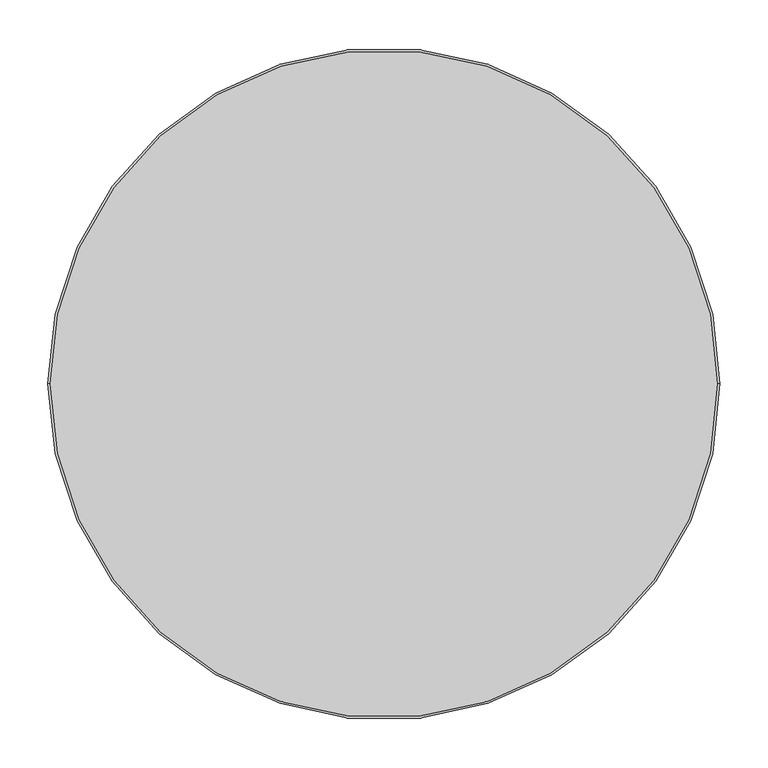
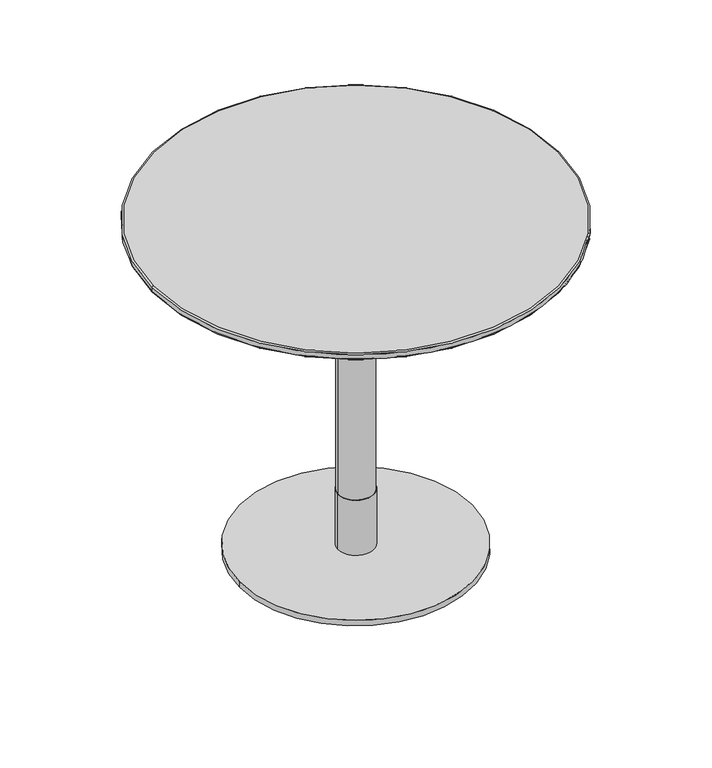
"""IFC4 building model written with IfcOpenShell, lengths in millimetres: furniture geometry."""

from ifc_helpers import new_model, si_unit, point, frame, origin, origin_with_axes, origin_2d, place, context, project, spatial, polyline, circle_curve, ellipse_curve, trimmed, segment, composite_curve, outline, extrude, source, transform, mapped, element, save
from ifc_brep_helpers import plane_surface, cylinder_surface, revolved_surface, advanced_brep


def furniture_266684e2(model_context):
    return source(origin(), model_context, "Body", "SolidModel", [
        advanced_brep(
        [(348.6840403, 0.0, 588.2400004), (350.0, 0.0, 590.1193857), (-350.0, 0.0, 590.1193857), (-348.6840403, 0.0, 588.2400004), (350.0, 0.0, 598.0), (348.0, 0.0, 600.0), (-348.0, 0.0, 600.0), (-350.0, 0.0, 598.0)],
        [
            (0, 1, circle_curve(frame((348.0, 0.0, 590.1193857), z_axis=(0.0, -1.0, 0.0), x_axis=(-1.0, 0.0, 0.0)), 2.0)),
            (1, 2, circle_curve(frame((0.0, 0.0, 590.1193857), z_axis=(0.0, 0.0, -1.0), x_axis=(-1.0, 0.0, 0.0)), 350.0)),
            (2, 3, circle_curve(frame((-348.0, 0.0, 590.1193857), z_axis=(0.0, -1.0, 0.0), x_axis=(1.0, 0.0, 0.0)), 2.0)),
            (3, 0, circle_curve(frame((0.0, 0.0, 588.2400004), z_axis=(0.0, 0.0, 1.0), x_axis=(-1.0, 0.0, 0.0)), 348.6840403)),
            (4, 5, circle_curve(frame((348.0, 0.0, 598.0), z_axis=(0.0, -1.0, 0.0), x_axis=(-1.0, 0.0, 0.0)), 2.0)),
            (5, 6, circle_curve(frame((0.0, 0.0, 600.0), z_axis=(0.0, 0.0, -1.0), x_axis=(-1.0, 0.0, 0.0)), 348.0)),
            (6, 7, circle_curve(frame((-348.0, 0.0, 598.0), z_axis=(0.0, -1.0, 0.0), x_axis=(1.0, 0.0, 0.0)), 2.0)),
            (7, 4, circle_curve(frame((0.0, 0.0, 598.0), z_axis=(0.0, 0.0, 1.0), x_axis=(-1.0, 0.0, 0.0)), 350.0)),
            (0, 3, circle_curve(frame((0.0, 0.0, 588.2400004), z_axis=(0.0, 0.0, 1.0), x_axis=(1.0, 0.0, 0.0)), 348.6840403)),
            (2, 1, circle_curve(frame((0.0, 0.0, 590.1193857), z_axis=(0.0, 0.0, -1.0), x_axis=(1.0, 0.0, 0.0)), 350.0)),
            (4, 7, circle_curve(frame((0.0, 0.0, 598.0), z_axis=(0.0, 0.0, 1.0), x_axis=(1.0, 0.0, 0.0)), 350.0)),
            (6, 5, circle_curve(frame((0.0, 0.0, 600.0), z_axis=(0.0, 0.0, -1.0), x_axis=(1.0, 0.0, 0.0)), 348.0)),
            (7, 2),
            (1, 4),
        ],
        [
            revolved_surface(trimmed(ellipse_curve(frame((-348.0, 0.0, 590.1193857), z_axis=(0.0, 1.0, 0.0), x_axis=(1.0, 0.0, 0.0)), 2.0, 2.0), [point((-348.6840403, 0.0, 588.2400004))], [point((-350.0, 0.0, 590.1193857))], True, "CARTESIAN"), (0.0, 0.0, 0.0), (0.0, 0.0, 1.0)),
            revolved_surface(trimmed(ellipse_curve(frame((-348.0, 0.0, 598.0), z_axis=(0.0, 1.0, 0.0), x_axis=(1.0, 0.0, 0.0)), 2.0, 2.0), [point((-350.0, 0.0, 598.0))], [point((-348.0, 0.0, 600.0))], True, "CARTESIAN"), (0.0, 0.0, 0.0), (0.0, 0.0, 1.0)),
            revolved_surface(trimmed(ellipse_curve(frame((348.0, 0.0, 590.1193857), z_axis=(0.0, -1.0, 0.0), x_axis=(-1.0, 0.0, 0.0)), 2.0, 2.0), [point((348.6840403, 0.0, 588.2400004))], [point((350.0, 0.0, 590.1193857))], True, "CARTESIAN"), (0.0, 0.0, 0.0), (0.0, 0.0, 1.0)),
            revolved_surface(trimmed(ellipse_curve(frame((348.0, 0.0, 598.0), z_axis=(0.0, -1.0, 0.0), x_axis=(-1.0, 0.0, 0.0)), 2.0, 2.0), [point((350.0, 0.0, 598.0))], [point((348.0, 0.0, 600.0))], True, "CARTESIAN"), (0.0, 0.0, 0.0), (0.0, 0.0, 1.0)),
            plane_surface(frame((350.0, 0.0, 600.0), z_axis=(0.0, 0.0, 1.0), x_axis=(0.0, 1.0, 0.0))),
            plane_surface(frame((350.0, 0.0, 588.2400004), z_axis=(0.0, 0.0, -1.0), x_axis=(0.0, -1.0, 0.0))),
            cylinder_surface(frame((0.0, 0.0, 588.2400004), z_axis=(0.0, 0.0, 1.0), x_axis=(1.0, 0.0, 0.0)), 350.0),
        ],
        [
            (0, [[1, 2, 3, 4]]),
            (1, [[5, 6, 7, 8]]),
            (2, [[-1, 9, -3, 10]]),
            (3, [[-5, 11, -7, 12]]),
            (4, [[-6, -12]]),
            (5, [[-4, -9]]),
            (6, [[13, -2, 14, -8]]),
            (6, [[-13, -11, -14, -10]]),
        ],
    ),
        advanced_brep(
        [(-348.6840403, 0.0, 588.2400004), (348.6840403, 0.0, 588.2400004), (-300.0, 0.0, 577.7932619), (300.0, 0.0, 577.7932619)],
        [
            (0, 1, circle_curve(frame((0.0, 0.0, 588.2400004), z_axis=(0.0, 0.0, 1.0), x_axis=(-1.0, 0.0, 0.0)), 348.6840403)),
            (1, 0, circle_curve(frame((0.0, 0.0, 588.2400004), z_axis=(0.0, 0.0, 1.0), x_axis=(1.0, 0.0, 0.0)), 348.6840403)),
            (2, 3, circle_curve(frame((0.0, 0.0, 577.7932619), z_axis=(0.0, 0.0, -1.0), x_axis=(1.0, 0.0, 0.0)), 300.0)),
            (3, 2, circle_curve(frame((0.0, 0.0, 577.7932619), z_axis=(0.0, 0.0, -1.0), x_axis=(-1.0, 0.0, 0.0)), 300.0)),
            (3, 1),
            (0, 2),
        ],
        [
            plane_surface(frame((0.0, 0.0, 588.2400004), z_axis=(0.0, 0.0, 1.0), x_axis=(0.0, -1.0, 0.0))),
            plane_surface(frame((0.0, 0.0, 577.7932619), z_axis=(0.0, 0.0, -1.0), x_axis=(0.0, -1.0, 0.0))),
            revolved_surface(polyline([(299.9999998753789, 0.0, 577.7932619), (348.6840403, 0.0, 588.2400004)]), (0.0, 0.0, 513.4185403), (0.0, 0.0, 1.0)),
            revolved_surface(polyline([(-299.9999998753789, 0.0, 577.7932619), (-348.6840403, 0.0, 588.2400004)]), (0.0, 0.0, 513.4185403), (0.0, 0.0, 1.0)),
        ],
        [
            (0, [[1, 2]]),
            (1, [[3, 4]]),
            (2, [[-4, 5, -1, 6]]),
            (3, [[-3, -6, -2, -5]]),
        ],
    ),
        extrude(outline(polyline([(175.0000945, 174.9403258), (175.0000945, -175.0598632), (-175.0000945, -175.0598632), (-175.0000945, 174.9403258), (175.0000945, 174.9403258)])), frame((0.0, 0.0, 572.7932592), z_axis=(0.0, 0.0, 1.0), x_axis=(1.0, 0.0, 0.0)), (0.0, 0.0, 1.0), 5.0000027),
        extrude(outline(composite_curve([segment(trimmed(circle_curve(origin_2d(), 31.0), [point((-31.0, 0.0))], [point((31.0, 0.0))], False, "CARTESIAN"), True, "CONTINUOUS"), segment(trimmed(circle_curve(origin_2d(), 31.0), [point((31.0, 0.0))], [point((-31.0, 0.0))], False, "CARTESIAN"), True, "CONTINUOUS")], self_intersect=False)), frame((0.0, 0.0, 472.7932663), z_axis=(0.0, 0.0, 1.0), x_axis=(1.0, 0.0, 0.0)), (0.0, 0.0, 1.0), 99.999993),
        extrude(outline(composite_curve([segment(trimmed(circle_curve(origin_2d(), 30.0), [point((-30.0, 0.0))], [point((30.0, 0.0))], False, "CARTESIAN"), True, "CONTINUOUS"), segment(trimmed(circle_curve(origin_2d(), 30.0), [point((30.0, 0.0))], [point((-30.0, 0.0))], False, "CARTESIAN"), True, "CONTINUOUS")], self_intersect=False)), frame((0.0, 0.0, 110.0016526), z_axis=(0.0, 0.0, 1.0), x_axis=(1.0, 0.0, 0.0)), (0.0, 0.0, 1.0), 362.7916137),
        extrude(outline(composite_curve([segment(trimmed(circle_curve(origin_2d(), 31.0), [point((-31.0, 0.0))], [point((31.0, 0.0))], False, "CARTESIAN"), True, "CONTINUOUS"), segment(trimmed(circle_curve(origin_2d(), 31.0), [point((31.0, 0.0))], [point((-31.0, 0.0))], False, "CARTESIAN"), True, "CONTINUOUS")], self_intersect=False)), frame((0.0, 0.0, 10.0000044), z_axis=(0.0, 0.0, 1.0), x_axis=(1.0, 0.0, 0.0)), (0.0, 0.0, 1.0), 100.0016481),
        extrude(outline(composite_curve([segment(trimmed(circle_curve(origin_2d(), 200.0), [point((-200.0, 0.0))], [point((200.0, 0.0))], False, "CARTESIAN"), True, "CONTINUOUS"), segment(trimmed(circle_curve(origin_2d(), 200.0), [point((200.0, 0.0))], [point((-200.0, 0.0))], False, "CARTESIAN"), True, "CONTINUOUS")], self_intersect=False)), origin_with_axes(), (0.0, 0.0, 1.0), 10.0000044),
    ])


if __name__ == "__main__":
    model = new_model("IFC4")
    model_context = context("Model", 3, world=origin())
    ifc_project = project(units=[si_unit("LENGTHUNIT", "METRE", prefix="MILLI")], contexts=[model_context])
    site = spatial("IfcSite", under=ifc_project)
    building = spatial("IfcBuilding", under=site)
    placement = place(None, origin())
    furniture_shape = furniture_266684e2(model_context)
    element("IfcFurniture", 1, at=placement, inside=building, context=model_context, shape_type="MappedRepresentation", body=[
        mapped(furniture_shape, transform((0.0, 0.0, 0.0), x_axis=(1.0, 0.0, 0.0), y_axis=(0.0, 1.0, 0.0), z_axis=(0.0, 0.0, 1.0))),
    ])
    save(model, "model.ifc")
